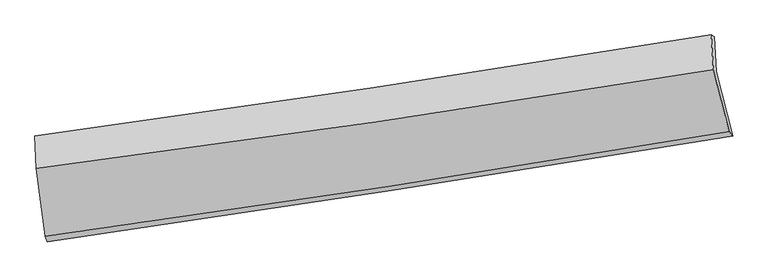
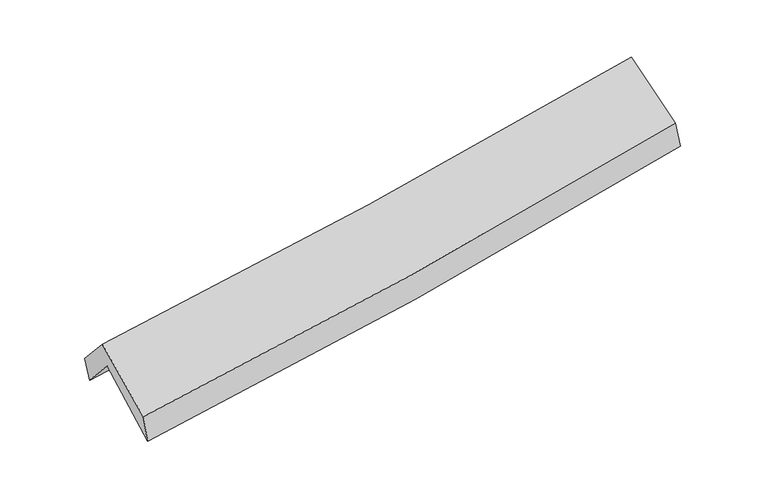
"""IFC4 building model written with IfcOpenShell, lengths in millimetres: proxy geometry."""

from ifc_helpers import new_model, si_unit, frame, origin, place, context, project, spatial, source, transform, mapped, element, save
from ifc_brep_helpers import plane_surface, spline_curve, spline_surface, advanced_brep


def generic_models_7575dfe5(model_context):
    return source(origin(), model_context, "Body", "AdvancedBrep", [
        advanced_brep(
        [(-2564.083748, -2493.5498979, 1458.7519919), (-2634.2225544, -1982.2663175, 1891.7397399), (2575.9034216, -1183.0599255, 2345.9744016), (2703.0337525, -1678.9026963, 1935.6528311), (-2646.0247515, -1732.3288876, 1608.6854718), (2561.6453355, -914.9100117, 2044.1466026), (-2659.2794346, -1681.7065521, 1790.3958521), (2538.2442374, -901.6280672, 2247.3131506), (-2647.5001266, -1931.1592551, 2072.9011668), (2555.2627341, -1168.9149916, 2521.1987148), (-2577.9831465, -2451.7619484, 1673.8312649), (2675.6641935, -1645.0673842, 2143.3215152)],
        [
            (0, 1),
            (1, 2, spline_curve(3, [(-2634.2225544, -1982.2663175, 1891.7397399), (-1761.930916121, -1854.133669217, 1937.498663111), (-891.20234095, -1723.401937768, 1998.280573057), (845.500467058, -1456.990078219, 2149.748359452), (1711.48055038, -1321.319679227, 2240.378003553), (2575.9034216, -1183.0599255, 2345.9744016)], [4, 2, 4], [0.0, 8.738075227738372, 17.45978132929672])),
            (2, 3),
            (3, 0, spline_curve(3, [(2703.0337525, -1678.9026963, 1935.6528311), (1831.344577323, -1823.466486696, 1827.154803708), (956.987543239, -1963.576181828, 1733.187676594), (-798.708266902, -2235.141983751, 1574.166135218), (-1680.057066054, -2366.581355805, 1509.166315761), (-2564.083748, -2493.5498979, 1458.7519919)], [4, 2, 4], [0.0, 8.721706101558349, 17.45978132929672])),
            (1, 4),
            (4, 5, spline_curve(3, [(-2646.0247515, -1732.3288876, 1608.6854718), (-1774.364022243, -1595.598756227, 1644.303122925), (-904.155646946, -1459.051759242, 1698.451754768), (831.728945558, -1186.579485984, 1843.674828566), (1697.410599583, -1050.653524479, 1934.679907072), (2561.6453355, -914.9100117, 2044.1466026)], [4, 2, 4], [0.0, 8.687776344960799, 17.359277789155918])),
            (5, 2),
            (4, 6),
            (6, 7, spline_curve(3, [(-2659.2794346, -1681.7065521, 1790.3958521), (-1790.100613567, -1561.690104573, 1851.498888494), (-921.979149844, -1436.609651141, 1920.169634359), (810.524782738, -1176.564534412, 2072.503727358), (1674.911209737, -1041.618826043, 2156.138747441), (2538.2442374, -901.6280672, 2247.3131506)], [4, 2, 4], [0.0, 8.674689662552849, 17.333128939756747])),
            (7, 5),
            (6, 8),
            (8, 9, spline_curve(3, [(-2647.5001266, -1931.1592551, 2072.9011668), (-1776.855177575, -1819.102284041, 2130.521211019), (-907.563919223, -1699.486810967, 2196.732433601), (826.685300851, -1445.377097747, 2346.197107093), (1691.648328986, -1310.911149517, 2429.418400765), (2555.2627341, -1168.9149916, 2521.1987148)], [4, 2, 4], [0.0, 8.66431725767909, 17.312403560741938])),
            (9, 7),
            (8, 10),
            (10, 11, spline_curve(3, [(-2577.9831465, -2451.7619484, 1673.8312649), (-1696.335541535, -2329.656937395, 1724.403087756), (-817.299784664, -2201.311014093, 1788.862875215), (933.906218943, -1932.389465611, 1945.411609535), (1806.086242205, -1791.837201009, 2037.448572188), (2675.6641935, -1645.0673842, 2143.3215152)], [4, 2, 4], [0.0, 8.714381869369623, 17.412438997571098])),
            (11, 9),
            (10, 0),
            (3, 11),
        ],
        [
            spline_surface(3, 3, [[(-2564.083748, -2493.5498979, 1458.7519919), (-1680.057066049, -2366.581355778, 1509.1663158), (-798.70826677, -2235.141983797, 1574.16613513), (956.987543106, -1963.576181782, 1733.187676682), (1831.344577349, -1823.466486564, 1827.154803713), (2703.0337525, -1678.9026963, 1935.6528311)], [(-2587.46335015, -2323.122037752, 1603.081241254), (-1707.348349434, -2195.765460226, 1651.943764943), (-829.539624816, -2064.561968434, 1715.537614431), (919.825184415, -1794.714147317, 1872.041237672), (1791.389901708, -1656.084217423, 1964.895870373), (2660.65697552, -1513.62177269, 2072.426687942)], [(-2610.84295225, -2152.694177648, 1747.410490546), (-1734.63963277, -2024.949564717, 1794.721214023), (-860.37098287, -1893.981953017, 1856.909093644), (882.662825715, -1625.852112798, 2010.894798573), (1751.435226108, -1488.701948312, 2102.636937007), (2618.28019858, -1348.34084911, 2209.200544758)], [(-2634.2225544, -1982.2663175, 1891.7397399), (-1761.930916156, -1854.133669165, 1937.498663166), (-891.202340916, -1723.401937653, 1998.280572945), (845.500467024, -1456.990078333, 2149.748359563), (1711.480550467, -1321.319679171, 2240.378003668), (2575.9034216, -1183.0599255, 2345.9744016)]], [4, 4], [4, 2, 4], [0.0, 2.191885935125862], [0.0, 8.738075227738372, 17.45978132929672]),
            spline_surface(3, 3, [[(-2634.2225544, -1982.2663175, 1891.7397399), (-1761.930916156, -1854.133669165, 1937.498663166), (-891.202340916, -1723.401937653, 1998.280572945), (845.500467024, -1456.990078333, 2149.748359563), (1711.480550467, -1321.319679171, 2240.378003668), (2575.9034216, -1183.0599255, 2345.9744016)], [(-2638.156620087, -1898.953840875, 1797.388317188), (-1766.075284839, -1767.955364825, 1839.766816412), (-895.520109629, -1635.285211483, 1898.337633551), (840.909959884, -1366.853214219, 2047.723849232), (1706.790566798, -1231.097627561, 2138.478638103), (2571.150726236, -1093.676620897, 2245.365135265)], [(-2642.090685813, -1815.641364225, 1703.036894512), (-1770.21965356, -1681.777060459, 1742.034969695), (-899.837878311, -1547.168485358, 1798.394694157), (836.319452775, -1276.716350152, 1945.699338902), (1702.100583121, -1140.875575962, 2036.579272544), (2566.398030864, -1004.293316303, 2144.755868935)], [(-2646.0247515, -1732.3288876, 1608.6854718), (-1774.364022243, -1595.598756118, 1644.303122941), (-904.155647023, -1459.051759187, 1698.451754763), (831.728945635, -1186.579486038, 1843.674828571), (1697.410599452, -1050.653524353, 1934.679906979), (2561.6453355, -914.9100117, 2044.1466026)]], [4, 4], [4, 2, 4], [0.0, 1.3263832466929195], [0.0, 8.687776344960799, 17.359277789155918]),
            spline_surface(3, 3, [[(-2646.0247515, -1732.3288876, 1608.6854718), (-1774.364022243, -1595.598756118, 1644.303122941), (-904.155647023, -1459.051759187, 1698.451754763), (831.728945635, -1186.579486038, 1843.674828571), (1697.410599452, -1050.653524353, 1934.679906979), (2561.6453355, -914.9100117, 2044.1466026)], [(-2650.442979196, -1715.454775759, 1669.255598576), (-1779.609552724, -1584.295872214, 1713.368378106), (-910.096814672, -1451.571056522, 1772.357714618), (824.660891379, -1183.24116883, 1919.951128133), (1689.910802917, -1047.641958239, 2008.499520474), (2553.844969464, -910.482696858, 2111.868785243)], [(-2654.861206904, -1698.580663941, 1729.825725324), (-1784.855083216, -1572.992988334, 1782.433633243), (-916.037982323, -1444.090353831, 1846.263674539), (817.592837121, -1179.902851595, 1996.227427762), (1682.41100639, -1044.63039215, 2082.319134041), (2546.044603436, -906.055382042, 2179.590967957)], [(-2659.2794346, -1681.7065521, 1790.3958521), (-1790.100613697, -1561.69010443, 1851.498888408), (-921.979149972, -1436.609651166, 1920.169634393), (810.524782865, -1176.564534387, 2072.503727324), (1674.911209855, -1041.618826036, 2156.138747536), (2538.2442374, -901.6280672, 2247.3131506)]], [4, 4], [4, 2, 4], [0.0, 0.7437418231198134], [0.0, 8.674689662552849, 17.333128939756747]),
            spline_surface(3, 3, [[(-2659.2794346, -1681.7065521, 1790.3958521), (-1790.100613697, -1561.69010443, 1851.498888408), (-921.979149972, -1436.609651166, 1920.169634393), (810.524782865, -1176.564534387, 2072.503727324), (1674.911209855, -1041.618826036, 2156.138747536), (2538.2442374, -901.6280672, 2247.3131506)], [(-2655.352998612, -1764.85745309, 1884.564290322), (-1785.685468365, -1647.494164311, 1944.506329244), (-917.174073024, -1524.235371154, 2012.357234088), (815.911622164, -1266.168722145, 2163.734853952), (1680.490249627, -1131.382933848, 2247.231965252), (2543.917069652, -990.723708675, 2338.608338664)], [(-2651.426562588, -1848.00835411, 1978.732728578), (-1781.270322996, -1733.298224222, 2037.513770114), (-912.36899608, -1611.861091105, 2104.544833787), (821.298461461, -1355.772909864, 2254.965980584), (1686.069289344, -1221.147041634, 2338.325182976), (2549.589901848, -1079.819350125, 2429.903526736)], [(-2647.5001266, -1931.1592551, 2072.9011668), (-1776.855177664, -1819.102284103, 2130.521210949), (-907.563919132, -1699.486811093, 2196.732433481), (826.68530076, -1445.377097622, 2346.197107212), (1691.648329116, -1310.911149446, 2429.418400692), (2555.2627341, -1168.9149916, 2521.1987148)]], [4, 4], [4, 2, 4], [0.0, 1.2561853324168386], [0.0, 8.66431725767909, 17.312403560741938]),
            spline_surface(3, 3, [[(-2647.5001266, -1931.1592551, 2072.9011668), (-1776.855177664, -1819.102284103, 2130.521210949), (-907.563919132, -1699.486811093, 2196.732433481), (826.68530076, -1445.377097622, 2346.197107212), (1691.648329116, -1310.911149446, 2429.418400692), (2555.2627341, -1168.9149916, 2521.1987148)], [(-2624.327799881, -2104.693486202, 1939.877866172), (-1750.015298925, -1989.287168554, 1995.148503245), (-877.475874283, -1866.761545419, 2060.775914081), (862.425606825, -1607.714553611, 2212.601941336), (1729.794300094, -1471.219833261, 2298.761791216), (2595.39655389, -1327.632455804, 2395.239648285)], [(-2601.155473219, -2278.227717298, 1806.854565528), (-1723.175420243, -2159.472053001, 1859.775795524), (-847.387829479, -2034.036279767, 1924.819394624), (898.165912845, -1770.052009621, 2079.006775403), (1767.940271102, -1631.528517062, 2168.105181686), (2635.53037371, -1486.349919996, 2269.280581715)], [(-2577.9831465, -2451.7619484, 1673.8312649), (-1696.335541504, -2329.656937452, 1724.403087819), (-817.29978463, -2201.311014094, 1788.862875224), (933.906218909, -1932.38946561, 1945.411609527), (1806.08624208, -1791.837200877, 2037.44857221), (2675.6641935, -1645.0673842, 2143.3215152)]], [4, 4], [4, 2, 4], [0.0, 2.1203878946337977], [0.0, 8.714381869369623, 17.412438997571098]),
            spline_surface(3, 3, [[(-2577.9831465, -2451.7619484, 1673.8312649), (-1696.335541504, -2329.656937452, 1724.403087819), (-817.29978463, -2201.311014094, 1788.862875224), (933.906218909, -1932.38946561, 1945.411609527), (1806.08624208, -1791.837200877, 2037.44857221), (2675.6641935, -1645.0673842, 2143.3215152)], [(-2573.350013673, -2465.691264922, 1602.138173888), (-1690.909383026, -2341.965076916, 1652.657497134), (-811.102612019, -2212.588003978, 1717.297295168), (941.599993632, -1942.785037651, 1874.670298554), (1814.505687175, -1802.380296115, 1967.350649379), (2684.787379838, -1656.345821576, 2074.098620502)], [(-2568.716880827, -2479.620581378, 1530.445082912), (-1685.483224527, -2354.273216314, 1580.911906485), (-804.905439381, -2223.864993912, 1645.731715186), (949.293768383, -1953.180609741, 1803.928987655), (1822.925132255, -1812.923391326, 1897.252726543), (2693.910566162, -1667.624258924, 2004.875725798)], [(-2564.083748, -2493.5498979, 1458.7519919), (-1680.057066049, -2366.581355778, 1509.1663158), (-798.70826677, -2235.141983797, 1574.16613513), (956.987543106, -1963.576181782, 1733.187676682), (1831.344577349, -1823.466486564, 1827.154803713), (2703.0337525, -1678.9026963, 1935.6528311)]], [4, 4], [4, 2, 4], [0.0, 0.7117023650266256], [0.0, 8.775292988735778, 17.534147130877134]),
            plane_surface(frame((2601.6256124, -1248.7471794, 2206.2678693), z_axis=(0.9806633445753697, 0.16699640063227503, 0.10203728133439433), x_axis=(0.19429479574532266, -0.7683788248870584, -0.6097897291784001))),
            plane_surface(frame((-2621.5156269, -2045.4621431, 1749.3842479), z_axis=(-0.9941488496367804, -0.09811476395327451, -0.04518360167427468), x_axis=(-0.06331099744620639, 0.19034181746673973, 0.9796742877741688))),
        ],
        [
            (0, [[1, 2, 3, 4]]),
            (1, [[5, 6, 7, -2]]),
            (2, [[8, 9, 10, -6]]),
            (3, [[11, 12, 13, -9]]),
            (4, [[14, 15, 16, -12]]),
            (5, [[17, -4, 18, -15]]),
            (6, [[-16, -18, -3, -7, -10, -13]]),
            (7, [[-17, -14, -11, -8, -5, -1]]),
        ],
    ),
    ])


if __name__ == "__main__":
    model = new_model("IFC4")
    model_context = context("Model", 3, world=origin())
    ifc_project = project(units=[si_unit("LENGTHUNIT", "METRE", prefix="MILLI")], contexts=[model_context])
    site = spatial("IfcSite", under=ifc_project)
    building = spatial("IfcBuilding", under=site)
    placement = place(None, origin())
    generic_models_shape = generic_models_7575dfe5(model_context)
    element("IfcBuildingElementProxy", 1, Name="Generic Models", at=placement, inside=building, context=model_context, shape_type="MappedRepresentation", body=[
        mapped(generic_models_shape, transform((0.0, 0.0, 0.0), x_axis=(1.0, 0.0, 0.0), y_axis=(0.0, 1.0, 0.0), z_axis=(0.0, 0.0, 1.0))),
    ])
    save(model, "model.ifc")
